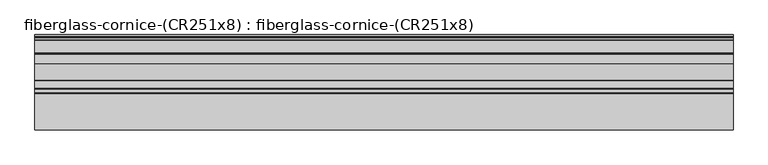
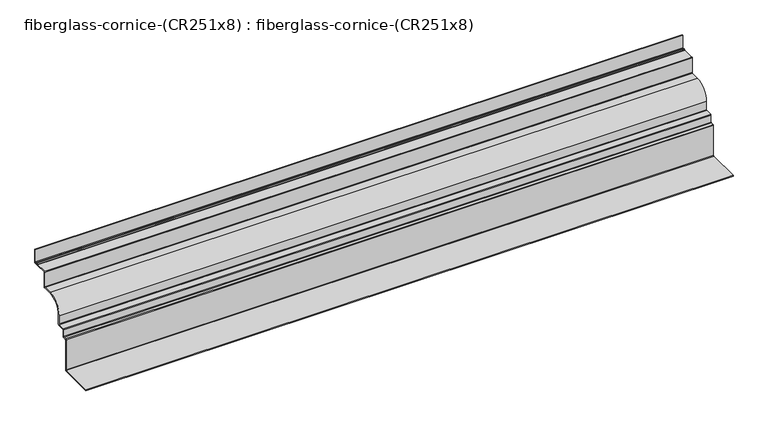
"""IFC4 building model written with IfcOpenShell, lengths in millimetres: furniture geometry, fiberglass-cornice-(CR251x8) : fiberglass-cornice-(CR251x8)."""

from ifc_helpers import new_model, si_unit, point, frame, frame_2d, origin, place, context, project, spatial, polyline, circle_curve, trimmed, segment, composite_curve, outline, extrude, source, transform, mapped, element, save


def fiberglass_cornice_cr251x8_fiberglass_cornice_cr251x8_54adb019(model_context):
    return source(origin(), model_context, "Body", "SweptSolid", [
        extrude(outline(composite_curve([segment(polyline([(650.875, 330.1999904), (650.875, 244.4749904)]), True, "CONTINUOUS"), segment(trimmed(circle_curve(frame_2d((647.7, 244.4749904)), 3.175), [point((650.875, 244.4749904))], [point((647.7, 241.2999904))], False, "CARTESIAN"), True, "CONTINUOUS"), segment(polyline([(647.7, 241.2999904), (634.1492613, 241.2999904)]), True, "CONTINUOUS"), segment(trimmed(circle_curve(frame_2d((634.1492613, 244.4749904)), 3.175), [point((634.1492613, 241.2999904))], [point((631.3996306, 242.8874904))], False, "CARTESIAN"), True, "CONTINUOUS"), segment(trimmed(circle_curve(frame_2d((628.65, 241.2999904)), 3.175), [point((631.3996306, 242.8874904))], [point((625.9003693, 242.8874904))], True, "CARTESIAN"), True, "CONTINUOUS"), segment(trimmed(circle_curve(frame_2d((623.1507387, 244.4749904)), 3.175), [point((625.9003693, 242.8874904))], [point((623.1507387, 241.2999904))], False, "CARTESIAN"), True, "CONTINUOUS"), segment(polyline([(623.1507387, 241.2999904), (552.45, 241.2999904)]), True, "CONTINUOUS"), segment(trimmed(circle_curve(frame_2d((552.45, 238.1249904)), 3.175), [point((552.45, 241.2999904))], [point((549.275, 238.1249904))], True, "CARTESIAN"), True, "CONTINUOUS"), segment(polyline([(549.275, 238.1249904), (549.275, 142.8749904)]), True, "CONTINUOUS"), segment(trimmed(circle_curve(frame_2d((546.1, 142.8749904)), 3.175), [point((549.275, 142.8749904))], [point((546.1, 139.6999904))], False, "CARTESIAN"), True, "CONTINUOUS"), segment(polyline([(546.1, 139.6999904), (485.775, 139.6999904)]), True, "CONTINUOUS"), segment(trimmed(circle_curve(frame_2d((485.775, 50.7999904)), 88.9), [point((485.775, 139.6999904))], [point((396.875, 50.7999904))], True, "CARTESIAN"), True, "CONTINUOUS"), segment(polyline([(396.875, 50.7999904), (396.875, -9.5250096)]), True, "CONTINUOUS"), segment(trimmed(circle_curve(frame_2d((393.7, -9.5250096)), 3.175), [point((396.875, -9.5250096))], [point((393.7, -12.7000096))], False, "CARTESIAN"), True, "CONTINUOUS"), segment(polyline([(393.7, -12.7000096), (349.25, -12.7000096)]), True, "CONTINUOUS"), segment(trimmed(circle_curve(frame_2d((349.25, -15.8750096)), 3.175), [point((349.25, -12.7000096))], [point((346.075, -15.8750096))], True, "CARTESIAN"), True, "CONTINUOUS"), segment(polyline([(346.075, -15.8750096), (346.075, -60.3250096)]), True, "CONTINUOUS"), segment(trimmed(circle_curve(frame_2d((342.9, -60.3250096)), 3.175), [point((346.075, -60.3250096))], [point((342.9, -63.5000096))], False, "CARTESIAN"), True, "CONTINUOUS"), segment(polyline([(342.9, -63.5000096), (323.85, -63.5000096)]), True, "CONTINUOUS"), segment(trimmed(circle_curve(frame_2d((323.85, -66.6750096)), 3.175), [point((323.85, -63.5000096))], [point((320.675, -66.6750096))], True, "CARTESIAN"), True, "CONTINUOUS"), segment(polyline([(320.675, -66.6750096), (320.675, -263.5250096)]), True, "CONTINUOUS"), segment(trimmed(circle_curve(frame_2d((317.5, -263.5250096)), 3.175), [point((320.675, -263.5250096))], [point((317.5, -266.7000096))], False, "CARTESIAN"), True, "CONTINUOUS"), segment(polyline([(317.5, -266.7000096), (101.6, -266.7000096), (101.6, -260.3500096), (311.15, -260.3500096)]), True, "CONTINUOUS"), segment(trimmed(circle_curve(frame_2d((311.15, -257.1750096)), 3.175), [point((311.15, -260.3500096))], [point((314.325, -257.1750096))], True, "CARTESIAN"), True, "CONTINUOUS"), segment(polyline([(314.325, -257.1750096), (314.325, -60.3250096)]), True, "CONTINUOUS"), segment(trimmed(circle_curve(frame_2d((317.5, -60.3250096)), 3.175), [point((314.325, -60.3250096))], [point((317.5, -57.1500096))], False, "CARTESIAN"), True, "CONTINUOUS"), segment(polyline([(317.5, -57.1500096), (336.55, -57.1500096)]), True, "CONTINUOUS"), segment(trimmed(circle_curve(frame_2d((336.55, -53.9750096)), 3.175), [point((336.55, -57.1500096))], [point((339.725, -53.9750096))], True, "CARTESIAN"), True, "CONTINUOUS"), segment(polyline([(339.725, -53.9750096), (339.725, -9.5250096)]), True, "CONTINUOUS"), segment(trimmed(circle_curve(frame_2d((342.9, -9.5250096)), 3.175), [point((339.725, -9.5250096))], [point((342.9, -6.3500096))], False, "CARTESIAN"), True, "CONTINUOUS"), segment(polyline([(342.9, -6.3500096), (387.35, -6.3500096)]), True, "CONTINUOUS"), segment(trimmed(circle_curve(frame_2d((387.35, -3.1750096)), 3.175), [point((387.35, -6.3500096))], [point((390.525, -3.1750096))], True, "CARTESIAN"), True, "CONTINUOUS"), segment(polyline([(390.525, -3.1750096), (390.525, 50.7999904)]), True, "CONTINUOUS"), segment(trimmed(circle_curve(frame_2d((485.775, 50.7999904)), 95.25), [point((390.525, 50.7999904))], [point((485.775, 146.0499904))], False, "CARTESIAN"), True, "CONTINUOUS"), segment(polyline([(485.775, 146.0499904), (539.75, 146.0499904)]), True, "CONTINUOUS"), segment(trimmed(circle_curve(frame_2d((539.75, 149.2249904)), 3.175), [point((539.75, 146.0499904))], [point((542.925, 149.2249904))], True, "CARTESIAN"), True, "CONTINUOUS"), segment(polyline([(542.925, 149.2249904), (542.925, 244.4749904)]), True, "CONTINUOUS"), segment(trimmed(circle_curve(frame_2d((546.1, 244.4749904)), 3.175), [point((542.925, 244.4749904))], [point((546.1, 247.6499904))], False, "CARTESIAN"), True, "CONTINUOUS"), segment(polyline([(546.1, 247.6499904), (620.2497396, 247.6499904)]), True, "CONTINUOUS"), segment(trimmed(circle_curve(frame_2d((620.2497396, 250.8249904)), 3.175), [point((620.2497396, 247.6499904))], [point((622.3498047, 248.4437404))], True, "CARTESIAN"), True, "CONTINUOUS"), segment(trimmed(circle_curve(frame_2d((628.65, 241.2999904)), 9.525), [point((622.3498047, 248.4437404))], [point((634.9501953, 248.4437404))], False, "CARTESIAN"), True, "CONTINUOUS"), segment(trimmed(circle_curve(frame_2d((637.0502604, 250.8249904)), 3.175), [point((634.9501953, 248.4437404))], [point((637.0502604, 247.6499904))], True, "CARTESIAN"), True, "CONTINUOUS"), segment(polyline([(637.0502604, 247.6499904), (641.35, 247.6499904)]), True, "CONTINUOUS"), segment(trimmed(circle_curve(frame_2d((641.35, 250.8249904)), 3.175), [point((641.35, 247.6499904))], [point((644.525, 250.8249904))], True, "CARTESIAN"), True, "CONTINUOUS"), segment(polyline([(644.525, 250.8249904), (644.525, 330.1999904), (650.875, 330.1999904)]), True, "CONTINUOUS")], self_intersect=False)), frame((-2012.9498044, 0.0, 0.0), z_axis=(1.0, 0.0, 0.0), x_axis=(0.0, 1.0, 0.0)), (0.0, 0.0, 1.0), 4025.8996087),
    ])


if __name__ == "__main__":
    model = new_model("IFC4")
    model_context = context("Model", 3, world=origin())
    ifc_project = project(units=[si_unit("LENGTHUNIT", "METRE", prefix="MILLI")], contexts=[model_context])
    site = spatial("IfcSite", under=ifc_project)
    building = spatial("IfcBuilding", under=site)
    placement = place(None, origin())
    fiberglass_cornice_cr251x8_fiberglass_cornice_cr251x8_shape = fiberglass_cornice_cr251x8_fiberglass_cornice_cr251x8_54adb019(model_context)
    element("IfcFurniture", 1, ObjectType="fiberglass-cornice-(CR251x8) : fiberglass-cornice-(CR251x8)", at=placement, inside=building, context=model_context, shape_type="MappedRepresentation", body=[
        mapped(fiberglass_cornice_cr251x8_fiberglass_cornice_cr251x8_shape, transform((0.0, 0.0, 0.0), x_axis=(1.0, 0.0, 0.0), y_axis=(0.0, 1.0, 0.0), z_axis=(0.0, 0.0, 1.0))),
    ])
    save(model, "model.ifc")
